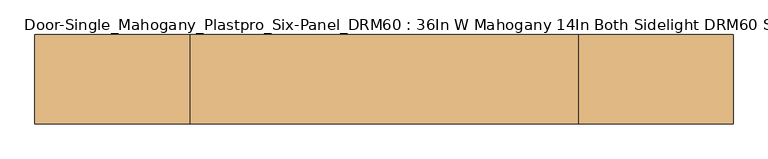
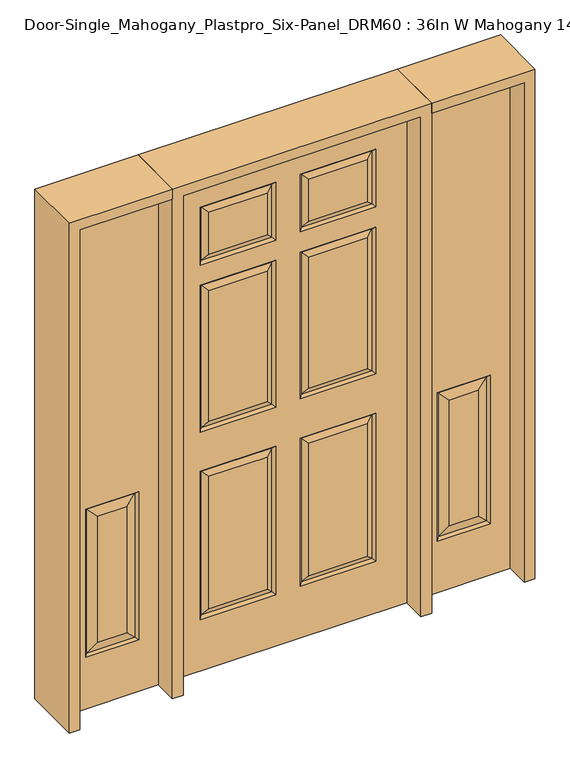
"""IFC4 building model written with IfcOpenShell, lengths in millimetres: door geometry, Door-Single_Mahogany_Plastpro_Six-Panel_DRM60 : 36In W Mahogany 14In Both Sidelight DRM60 Six Panel - 80In."""

from ifc_helpers import new_model, si_unit, frame, origin, place, context, project, spatial, polyline, outline, extrude, faceted_brep, source, transform, mapped, element, save


def door_single_mahogany_plastpro_six_panel_drm60_36in_w_7a813bdb(model_context):
    return source(origin(), model_context, "Body", "SolidModel", [
        faceted_brep([(498.475, -20.6375, 0.0), (854.075, -20.6375, 0.0), (854.075, -20.6375, 2032.0), (498.475, -20.6375, 2032.0), (777.875, -20.6375, 209.55), (574.675, -20.6375, 209.55), (574.675, -20.6375, 812.8), (777.875, -20.6375, 812.8), (620.7125, -20.6375, 255.5875), (731.8375, -20.6375, 255.5875), (731.8375, -20.6375, 766.7625), (620.7125, -20.6375, 766.7625), (498.475, 20.6375, 0.0), (854.075, 20.6375, 0.0), (854.075, 20.6375, 2032.0), (498.475, 20.6375, 2032.0), (574.675, 20.6375, 209.55), (777.875, 20.6375, 209.55), (777.875, 20.6375, 812.8), (574.675, 20.6375, 812.8), (731.8375, 20.6375, 255.5875), (620.7125, 20.6375, 255.5875), (620.7125, 20.6375, 766.7625), (731.8375, 20.6375, 766.7625), (768.8947439, -11.6572439, 218.5302561), (583.6552561, -11.6572439, 218.5302561), (583.6552561, -11.6572439, 803.8197439), (768.8947439, -11.6572439, 803.8197439), (583.6552561, 11.6572439, 218.5302561), (768.8947439, 11.6572439, 218.5302561), (768.8947439, 11.6572439, 803.8197439), (583.6552561, 11.6572439, 803.8197439)], [[[0, 1, 2, 3], [4, 5, 6, 7]], [[8, 9, 10, 11]], [[1, 0, 12, 13]], [[2, 1, 13, 14]], [[0, 3, 15, 12]], [[12, 15, 14, 13], [16, 17, 18, 19]], [[20, 21, 22, 23]], [[3, 2, 14, 15]], [[24, 25, 5, 4]], [[5, 25, 26, 6]], [[6, 26, 27, 7]], [[24, 4, 7, 27]], [[25, 24, 9, 8]], [[9, 24, 27, 10]], [[26, 11, 10, 27]], [[25, 8, 11, 26]], [[16, 28, 29, 17]], [[17, 29, 30, 18]], [[31, 19, 18, 30]], [[28, 16, 19, 31]], [[29, 28, 21, 20]], [[21, 28, 31, 22]], [[22, 31, 30, 23]], [[29, 20, 23, 30]]]),
        faceted_brep([(-854.075, -20.6375, 0.0), (-498.475, -20.6375, 0.0), (-498.475, -20.6375, 2032.0), (-854.075, -20.6375, 2032.0), (-574.675, -20.6375, 209.55), (-777.875, -20.6375, 209.55), (-777.875, -20.6375, 812.8), (-574.675, -20.6375, 812.8), (-731.8375, -20.6375, 255.5875), (-620.7125, -20.6375, 255.5875), (-620.7125, -20.6375, 766.7625), (-731.8375, -20.6375, 766.7625), (-854.075, 20.6375, 0.0), (-498.475, 20.6375, 0.0), (-498.475, 20.6375, 2032.0), (-854.075, 20.6375, 2032.0), (-777.875, 20.6375, 209.55), (-574.675, 20.6375, 209.55), (-574.675, 20.6375, 812.8), (-777.875, 20.6375, 812.8), (-620.7125, 20.6375, 255.5875), (-731.8375, 20.6375, 255.5875), (-731.8375, 20.6375, 766.7625), (-620.7125, 20.6375, 766.7625), (-583.6552561, -11.6572439, 218.5302561), (-768.8947439, -11.6572439, 218.5302561), (-768.8947439, -11.6572439, 803.8197439), (-583.6552561, -11.6572439, 803.8197439), (-768.8947439, 11.6572439, 218.5302561), (-583.6552561, 11.6572439, 218.5302561), (-583.6552561, 11.6572439, 803.8197439), (-768.8947439, 11.6572439, 803.8197439)], [[[0, 1, 2, 3], [4, 5, 6, 7]], [[8, 9, 10, 11]], [[1, 0, 12, 13]], [[2, 1, 13, 14]], [[0, 3, 15, 12]], [[12, 15, 14, 13], [16, 17, 18, 19]], [[20, 21, 22, 23]], [[3, 2, 14, 15]], [[24, 25, 5, 4]], [[5, 25, 26, 6]], [[6, 26, 27, 7]], [[24, 4, 7, 27]], [[25, 24, 9, 8]], [[9, 24, 27, 10]], [[26, 11, 10, 27]], [[25, 8, 11, 26]], [[16, 28, 29, 17]], [[17, 29, 30, 18]], [[31, 19, 18, 30]], [[28, 16, 19, 31]], [[29, 28, 21, 20]], [[21, 28, 31, 22]], [[22, 31, 30, 23]], [[29, 20, 23, 30]]]),
        faceted_brep([(457.2, -20.6375, 0.0), (-457.2, -20.6375, 0.0), (-457.2, 20.6375, 0.0), (457.2, 20.6375, 0.0), (-305.5351108, -20.6375, 1004.0531705), (-80.1281705, -20.6375, 1004.0531705), (-80.1281705, -20.6375, 1535.9468295), (-305.5351108, -20.6375, 1535.9468295), (80.1291512, -20.6375, 1004.0541512), (305.5341301, -20.6375, 1004.0541512), (305.5341301, -20.6375, 1535.9458488), (80.1291512, -20.6375, 1535.9458488), (80.1281705, -20.6375, 242.0531705), (305.5351108, -20.6375, 242.0531705), (305.5351108, -20.6375, 780.2968295), (80.1281705, -20.6375, 780.2968295), (-305.5351108, -20.6375, 242.0531705), (-80.1281705, -20.6375, 242.0531705), (-80.1281705, -20.6375, 780.2968295), (-305.5351108, -20.6375, 780.2968295), (80.1281705, -20.6375, 1683.5031705), (305.5351108, -20.6375, 1683.5031705), (305.5351108, -20.6375, 1853.4468295), (80.1281705, -20.6375, 1853.4468295), (-305.5351108, -20.6375, 1683.5031705), (-80.1281705, -20.6375, 1683.5031705), (-80.1281705, -20.6375, 1853.4468295), (-305.5351108, -20.6375, 1853.4468295), (457.2, -20.6375, 2032.0), (-457.2, -20.6375, 2032.0), (338.0372993, -20.6375, 971.5509819), (47.6259819, -20.6375, 971.5509819), (47.6259819, -20.6375, 1568.4490181), (338.0372993, -20.6375, 1568.4490181), (-47.6250012, -20.6375, 971.5500012), (-338.03828, -20.6375, 971.5500012), (-338.03828, -20.6375, 1568.4499988), (-47.6250012, -20.6375, 1568.4499988), (338.03828, -20.6375, 209.5500012), (47.6250012, -20.6375, 209.5500012), (47.6250012, -20.6375, 812.7999988), (338.03828, -20.6375, 812.7999988), (-47.6250012, -20.6375, 209.5500012), (-338.03828, -20.6375, 209.5500012), (-338.03828, -20.6375, 812.7999988), (-47.6250012, -20.6375, 812.7999988), (338.03828, -20.6375, 1651.0000012), (47.6250012, -20.6375, 1651.0000012), (47.6250012, -20.6375, 1885.9499988), (338.03828, -20.6375, 1885.9499988), (-47.6250012, -20.6375, 1651.0000012), (-338.03828, -20.6375, 1651.0000012), (-338.03828, -20.6375, 1885.9499988), (-47.6250012, -20.6375, 1885.9499988), (-457.2, 20.6375, 2032.0), (-80.1281705, 20.6375, 1004.0531705), (-305.5351108, 20.6375, 1004.0531705), (-305.5351108, 20.6375, 1535.9468295), (-80.1281705, 20.6375, 1535.9468295), (305.5341301, 20.6375, 1004.0541512), (80.1291512, 20.6375, 1004.0541512), (80.1291512, 20.6375, 1535.9458488), (305.5341301, 20.6375, 1535.9458488), (305.5351108, 20.6375, 242.0531705), (80.1281705, 20.6375, 242.0531705), (80.1281705, 20.6375, 780.2968295), (305.5351108, 20.6375, 780.2968295), (-80.1281705, 20.6375, 242.0531705), (-305.5351108, 20.6375, 242.0531705), (-305.5351108, 20.6375, 780.2968295), (-80.1281705, 20.6375, 780.2968295), (305.5351108, 20.6375, 1683.5031705), (80.1281705, 20.6375, 1683.5031705), (80.1281705, 20.6375, 1853.4468295), (305.5351108, 20.6375, 1853.4468295), (-80.1281705, 20.6375, 1683.5031705), (-305.5351108, 20.6375, 1683.5031705), (-305.5351108, 20.6375, 1853.4468295), (-80.1281705, 20.6375, 1853.4468295), (457.2, 20.6375, 2032.0), (-338.03828, 20.6375, 971.5500012), (-47.6250012, 20.6375, 971.5500012), (-47.6250012, 20.6375, 1568.4499988), (-338.03828, 20.6375, 1568.4499988), (47.6259819, 20.6375, 971.5509819), (338.0372993, 20.6375, 971.5509819), (338.0372993, 20.6375, 1568.4490181), (47.6259819, 20.6375, 1568.4490181), (47.6250012, 20.6375, 209.5500012), (338.03828, 20.6375, 209.5500012), (338.03828, 20.6375, 812.7999988), (47.6250012, 20.6375, 812.7999988), (-338.03828, 20.6375, 209.5500012), (-47.6250012, 20.6375, 209.5500012), (-47.6250012, 20.6375, 812.7999988), (-338.03828, 20.6375, 812.7999988), (47.6250012, 20.6375, 1651.0000012), (338.03828, 20.6375, 1651.0000012), (338.03828, 20.6375, 1885.9499988), (47.6250012, 20.6375, 1885.9499988), (-338.03828, 20.6375, 1651.0000012), (-47.6250012, 20.6375, 1651.0000012), (-47.6250012, 20.6375, 1885.9499988), (-338.03828, 20.6375, 1885.9499988), (-328.3527618, 10.9519818, 981.2355194), (-57.3105194, 10.9519818, 981.2355194), (-57.3105194, 10.9519818, 1558.7644806), (-328.3527618, 10.9519818, 1558.7644806), (57.3115001, 10.9519818, 981.2365001), (328.3517811, 10.9519818, 981.2365001), (328.3517811, 10.9519818, 1558.7634999), (57.3115001, 10.9519818, 1558.7634999), (57.3105194, 10.9519818, 219.2355194), (328.3527618, 10.9519818, 219.2355194), (328.3527618, 10.9519818, 803.1144806), (57.3105194, 10.9519818, 803.1144806), (-328.3527618, 10.9519818, 219.2355194), (-57.3105194, 10.9519818, 219.2355194), (-57.3105194, 10.9519818, 803.1144806), (-328.3527618, 10.9519818, 803.1144806), (-328.3527618, -10.9519818, 981.2355194), (-57.3105194, -10.9519818, 981.2355194), (-57.3105194, -10.9519818, 1558.7644806), (-328.3527618, -10.9519818, 1558.7644806), (57.3115001, -10.9519818, 981.2365001), (328.3517811, -10.9519818, 981.2365001), (328.3517811, -10.9519818, 1558.7634999), (57.3115001, -10.9519818, 1558.7634999), (57.3105194, -10.9519818, 219.2355194), (328.3527618, -10.9519818, 219.2355194), (328.3527618, -10.9519818, 803.1144806), (57.3105194, -10.9519818, 803.1144806), (-328.3527618, -10.9519818, 219.2355194), (-57.3105194, -10.9519818, 219.2355194), (-57.3105194, -10.9519818, 803.1144806), (-328.3527618, -10.9519818, 803.1144806), (57.3105194, 10.9519818, 1660.6855194), (328.3527618, 10.9519818, 1660.6855194), (57.3105194, -10.9519818, 1660.6855194), (328.3527618, -10.9519818, 1660.6855194), (57.3105194, 10.9519818, 1876.2644806), (57.3105194, -10.9519818, 1876.2644806), (328.3527618, 10.9519818, 1876.2644806), (328.3527618, -10.9519818, 1876.2644806), (-328.3527618, 10.9519818, 1660.6855194), (-57.3105194, 10.9519818, 1660.6855194), (-328.3527618, 10.9519818, 1876.2644806), (-57.3105194, 10.9519818, 1876.2644806), (-328.3527618, -10.9519818, 1660.6855194), (-57.3105194, -10.9519818, 1660.6855194), (-328.3527618, -10.9519818, 1876.2644806), (-57.3105194, -10.9519818, 1876.2644806)], [[[0, 1, 2, 3]], [[4, 5, 6, 7]], [[8, 9, 10, 11]], [[12, 13, 14, 15]], [[16, 17, 18, 19]], [[20, 21, 22, 23]], [[24, 25, 26, 27]], [[28, 29, 1, 0], [30, 31, 32, 33], [34, 35, 36, 37], [38, 39, 40, 41], [42, 43, 44, 45], [46, 47, 48, 49], [50, 51, 52, 53]], [[29, 54, 2, 1]], [[55, 56, 57, 58]], [[59, 60, 61, 62]], [[63, 64, 65, 66]], [[67, 68, 69, 70]], [[71, 72, 73, 74]], [[75, 76, 77, 78]], [[54, 79, 3, 2], [80, 81, 82, 83], [84, 85, 86, 87], [88, 89, 90, 91], [92, 93, 94, 95], [96, 97, 98, 99], [100, 101, 102, 103]], [[79, 28, 0, 3]], [[80, 104, 105, 81]], [[81, 105, 106, 82]], [[104, 80, 83, 107]], [[105, 104, 56, 55]], [[56, 104, 107, 57]], [[105, 55, 58, 106]], [[84, 108, 109, 85]], [[85, 109, 110, 86]], [[108, 84, 87, 111]], [[109, 108, 60, 59]], [[60, 108, 111, 61]], [[109, 59, 62, 110]], [[88, 112, 113, 89]], [[89, 113, 114, 90]], [[115, 91, 90, 114]], [[112, 88, 91, 115]], [[113, 112, 64, 63]], [[64, 112, 115, 65]], [[65, 115, 114, 66]], [[113, 63, 66, 114]], [[92, 116, 117, 93]], [[93, 117, 118, 94]], [[119, 95, 94, 118]], [[116, 92, 95, 119]], [[117, 116, 68, 67]], [[68, 116, 119, 69]], [[69, 119, 118, 70]], [[117, 67, 70, 118]], [[4, 120, 121, 5]], [[5, 121, 122, 6]], [[120, 4, 7, 123]], [[121, 120, 35, 34]], [[35, 120, 123, 36]], [[121, 34, 37, 122]], [[8, 124, 125, 9]], [[9, 125, 126, 10]], [[124, 8, 11, 127]], [[125, 124, 31, 30]], [[31, 124, 127, 32]], [[125, 30, 33, 126]], [[12, 128, 129, 13]], [[13, 129, 130, 14]], [[131, 15, 14, 130]], [[128, 12, 15, 131]], [[129, 128, 39, 38]], [[39, 128, 131, 40]], [[40, 131, 130, 41]], [[129, 38, 41, 130]], [[16, 132, 133, 17]], [[17, 133, 134, 18]], [[135, 19, 18, 134]], [[132, 16, 19, 135]], [[133, 132, 43, 42]], [[43, 132, 135, 44]], [[44, 135, 134, 45]], [[133, 42, 45, 134]], [[96, 136, 137, 97]], [[137, 136, 72, 71]], [[20, 138, 139, 21]], [[139, 138, 47, 46]], [[136, 96, 99, 140]], [[72, 136, 140, 73]], [[138, 20, 23, 141]], [[47, 138, 141, 48]], [[140, 99, 98, 142]], [[73, 140, 142, 74]], [[141, 23, 22, 143]], [[48, 141, 143, 49]], [[97, 137, 142, 98]], [[137, 71, 74, 142]], [[21, 139, 143, 22]], [[139, 46, 49, 143]], [[28, 79, 54, 29]], [[100, 144, 145, 101]], [[145, 144, 76, 75]], [[144, 100, 103, 146]], [[76, 144, 146, 77]], [[146, 103, 102, 147]], [[77, 146, 147, 78]], [[101, 145, 147, 102]], [[145, 75, 78, 147]], [[24, 148, 149, 25]], [[149, 148, 51, 50]], [[148, 24, 27, 150]], [[51, 148, 150, 52]], [[150, 27, 26, 151]], [[52, 150, 151, 53]], [[25, 149, 151, 26]], [[149, 50, 53, 151]], [[107, 83, 82, 106]], [[57, 107, 106, 58]], [[123, 7, 6, 122]], [[36, 123, 122, 37]], [[111, 87, 86, 110]], [[61, 111, 110, 62]], [[127, 11, 10, 126]], [[32, 127, 126, 33]]]),
        extrude(outline(polyline([(2032.0, -498.475), (2073.275, -498.475), (2073.275, -895.35), (0.0, -895.35), (0.0, -854.075), (2032.0, -854.075), (2032.0, -498.475)])), frame((0.0, -114.3, 0.0), z_axis=(0.0, 1.0, 0.0), x_axis=(0.0, 0.0, 1.0)), (0.0, 0.0, 1.0), 228.6),
        extrude(outline(polyline([(2073.275, -498.475), (0.0, -498.475), (0.0, -457.2), (2032.0, -457.2), (2032.0, 457.2), (0.0, 457.2), (0.0, 498.475), (2073.275, 498.475), (2073.275, -498.475)])), frame((0.0, -114.3, 0.0), z_axis=(0.0, 1.0, 0.0), x_axis=(0.0, 0.0, 1.0)), (0.0, 0.0, 1.0), 228.6),
        extrude(outline(polyline([(0.0, 854.075), (0.0, 895.35), (2073.275, 895.35), (2073.275, 498.475), (2032.0, 498.475), (2032.0, 854.075), (0.0, 854.075)])), frame((0.0, -114.3, 0.0), z_axis=(0.0, 1.0, 0.0), x_axis=(0.0, 0.0, 1.0)), (0.0, 0.0, 1.0), 228.6),
    ])


if __name__ == "__main__":
    model = new_model("IFC4")
    model_context = context("Model", 3, world=origin())
    ifc_project = project(units=[si_unit("LENGTHUNIT", "METRE", prefix="MILLI")], contexts=[model_context])
    site = spatial("IfcSite", under=ifc_project)
    building = spatial("IfcBuilding", under=site)
    placement = place(None, origin())
    door_single_mahogany_plastpro_six_panel_drm60_36in_w_shape = door_single_mahogany_plastpro_six_panel_drm60_36in_w_7a813bdb(model_context)
    element("IfcDoor", 1, ObjectType="Door-Single_Mahogany_Plastpro_Six-Panel_DRM60 : 36In W Mahogany 14In Both Sidelight DRM60 Six Panel - 80In", at=placement, inside=building, context=model_context, shape_type="MappedRepresentation", body=[
        mapped(door_single_mahogany_plastpro_six_panel_drm60_36in_w_shape, transform((0.0, 0.0, 0.0), x_axis=(1.0, 0.0, 0.0), y_axis=(0.0, 1.0, 0.0), z_axis=(0.0, 0.0, 1.0))),
    ])
    save(model, "model.ifc")
